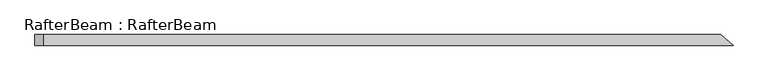
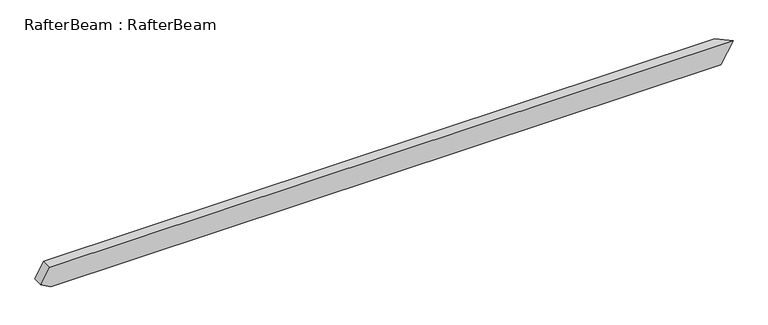
"""IFC4 building model written with IfcOpenShell, lengths in millimetres: beam geometry, RafterBeam : RafterBeam."""

from ifc_helpers import new_model, si_unit, origin, place, context, project, spatial, faceted_brep, source, transform, mapped, element, save


def rafterbeam_rafterbeam_b0b6a035(model_context):
    return source(origin(), model_context, "Body", "Brep", [
        faceted_brep([(2586.0635887, -40.0, 80.0), (2492.8334101, 40.0, 80.0), (-2604.7682258, 40.0, 80.0), (-2604.7682258, -40.0, 80.0), (2400.457367, 40.0, -80.0), (2493.6875456, -40.0, -80.0), (-2597.1442689, -40.0, -80.0), (-2597.1442689, 40.0, -80.0), (-2672.1442689, 40.0, -36.6987298), (-2672.1442689, -40.0, -36.6987298)], [[[0, 1, 2, 3]], [[4, 5, 6, 7]], [[1, 4, 7, 8, 2]], [[5, 0, 3, 9, 6]], [[0, 5, 4, 1]], [[3, 2, 8, 9]], [[7, 6, 9, 8]]]),
    ])


if __name__ == "__main__":
    model = new_model("IFC4")
    model_context = context("Model", 3, world=origin())
    ifc_project = project(units=[si_unit("LENGTHUNIT", "METRE", prefix="MILLI")], contexts=[model_context])
    site = spatial("IfcSite", under=ifc_project)
    building = spatial("IfcBuilding", under=site)
    placement = place(None, origin())
    rafterbeam_rafterbeam_shape = rafterbeam_rafterbeam_b0b6a035(model_context)
    element("IfcBeam", 1, ObjectType="RafterBeam : RafterBeam", at=placement, inside=building, context=model_context, shape_type="MappedRepresentation", body=[
        mapped(rafterbeam_rafterbeam_shape, transform((0.0, 0.0, 0.0), x_axis=(1.0, 0.0, 0.0), y_axis=(0.0, 1.0, 0.0), z_axis=(0.0, 0.0, 1.0))),
    ])
    save(model, "model.ifc")
